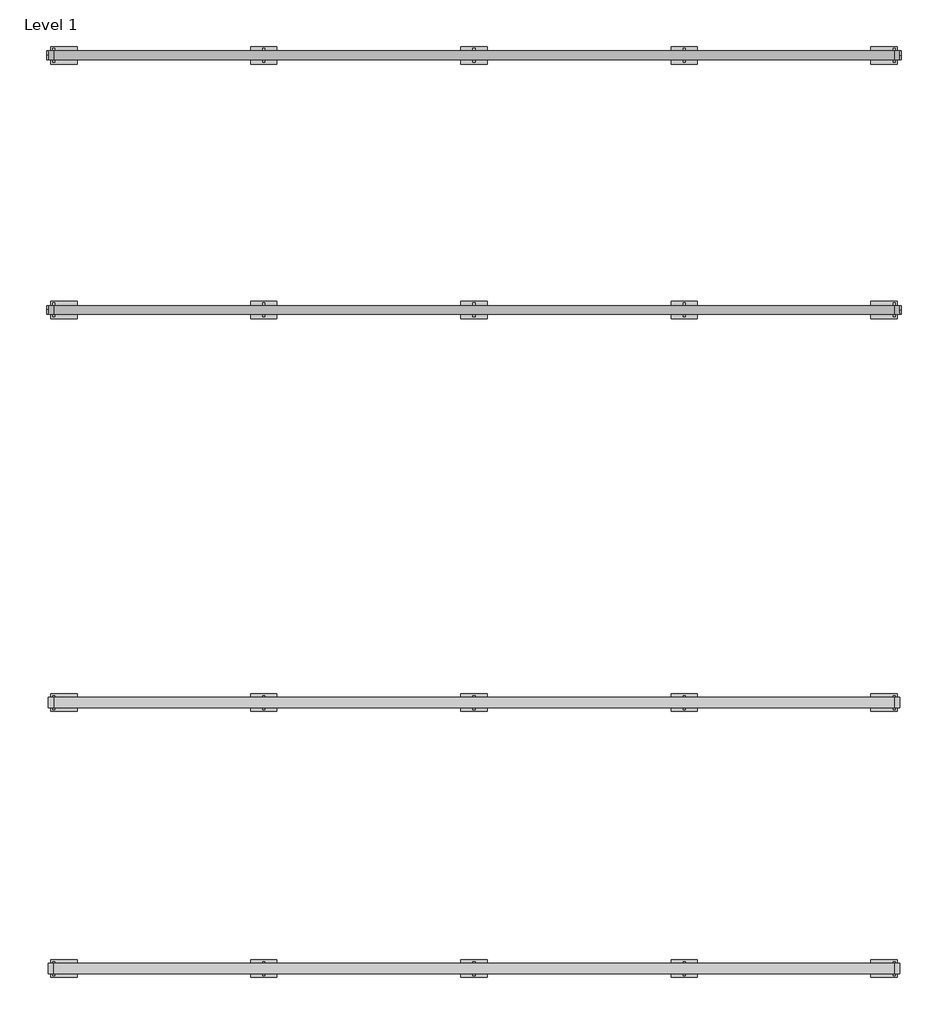
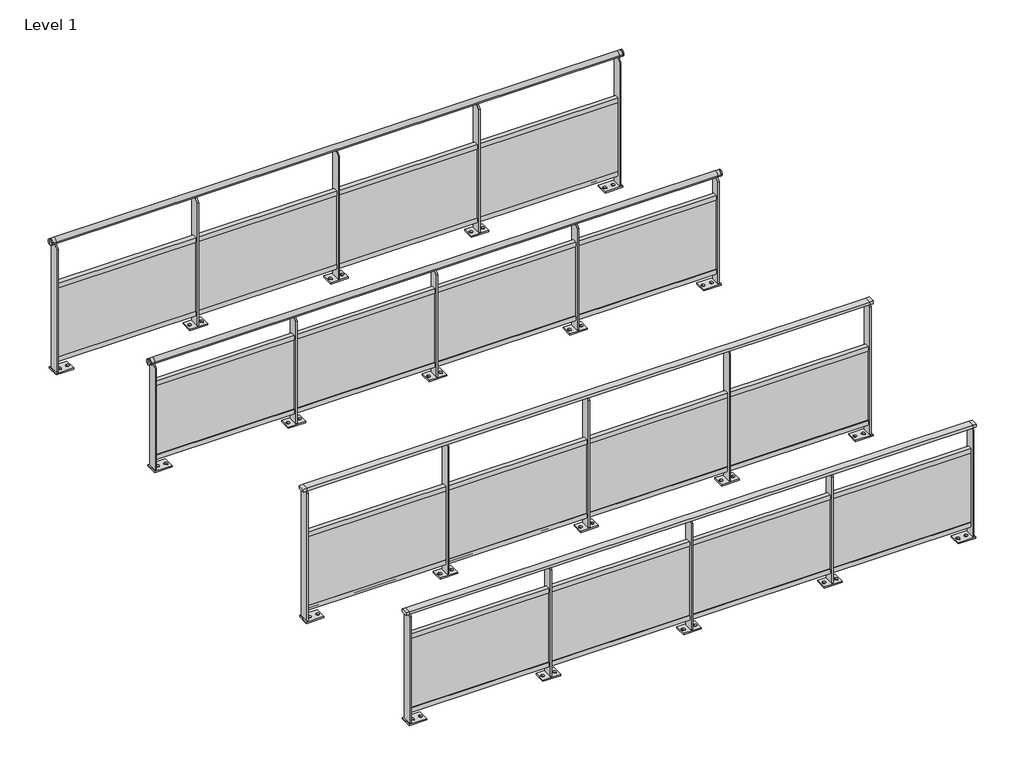
# One storey, part 1 of 13: 4 railings.
"""IFC4 building model written with IfcOpenShell, lengths in millimetres."""

from ifc_helpers import new_model, si_unit, point, frame, frame_2d, origin, origin_with_axes, place, context, project, spatial, polyline, circle_curve, trimmed, segment, composite_curve, outline, extrude, faceted_brep, element, save
from ifc_brep_helpers import plane_surface, cylinder_surface, advanced_brep

model = new_model("IFC4")

# Units and contexts
model_context = context("Model", 3, world=origin())
ifc_project = project(units=[si_unit("LENGTHUNIT", "METRE", prefix="MILLI")], contexts=[model_context])

# Site, building, storey
site = spatial("IfcSite", under=ifc_project)
building = spatial("IfcBuilding", under=site)
storey = spatial("IfcBuildingStorey", under=building, Name="Level 1", Elevation=0.0)

# Railings
placement = place(None, origin())
element("IfcRailing", 1, at=placement, inside=storey, context=model_context, shape_type="SolidModel", body=[
    faceted_brep([(9960.6479588, -9478.8795125, 985.0), (9960.6479588, -9478.8795125, 1010.0), (14760.6479588, -9478.8795125, 1010.0), (14760.6479588, -9478.8795125, 985.0), (9960.6479588, -9538.8795125, 985.0), (14760.6479588, -9538.8795125, 985.0), (9960.6479588, -9538.8795125, 1010.0), (14760.6479588, -9538.8795125, 1010.0), (9930.6479588, -9478.8795125, 1010.0), (9930.6479588, -9478.8795125, 985.0), (9930.6479588, -9538.8795125, 985.0), (9930.6479588, -9538.8795125, 1010.0), (14790.6479588, -9478.8795125, 1010.0), (14790.6479588, -9538.8795125, 1010.0), (14790.6479588, -9538.8795125, 985.0), (14790.6479588, -9478.8795125, 985.0)], [[[0, 1, 2, 3]], [[4, 0, 3, 5]], [[6, 4, 5, 7]], [[1, 6, 7, 2]], [[8, 9, 10, 11]], [[9, 8, 1, 0]], [[10, 9, 0, 4]], [[11, 10, 4, 6]], [[8, 11, 6, 1]], [[12, 13, 14, 15]], [[3, 2, 12, 15]], [[5, 3, 15, 14]], [[7, 5, 14, 13]], [[2, 7, 13, 12]]]),
    extrude(outline(polyline([(-9488.8795125, 795.0), (-9488.8795125, 755.0), (-9510.3795125, 755.0), (-9510.3795125, 775.0), (-9526.3795125, 775.0), (-9526.3795125, 755.0), (-9528.8795125, 755.0), (-9528.8795125, 795.0), (-9488.8795125, 795.0)])), frame((9960.6479588, 0.0, 0.0), z_axis=(1.0, 0.0, 0.0), x_axis=(0.0, 1.0, 0.0)), (0.0, 0.0, 1.0), 4800.0),
    extrude(outline(polyline([(9960.6479588, -9522.8795125), (9960.6479588, -9514.8795125), (14760.6479588, -9514.8795125), (14760.6479588, -9522.8795125), (9960.6479588, -9522.8795125)])), frame((0.0, 0.0, 130.0), z_axis=(0.0, 0.0, 1.0), x_axis=(1.0, 0.0, 0.0)), (0.0, 0.0, 1.0), 625.0),
    extrude(outline(polyline([(-9488.8795125, 90.0), (-9528.8795125, 90.0), (-9528.8795125, 130.0), (-9526.3795125, 130.0), (-9526.3795125, 110.0), (-9510.3795125, 110.0), (-9510.3795125, 130.0), (-9488.8795125, 130.0), (-9488.8795125, 90.0)])), frame((9960.6479588, 0.0, 0.0), z_axis=(1.0, 0.0, 0.0), x_axis=(0.0, 1.0, 0.0)), (0.0, 0.0, 1.0), 4800.0),
    extrude(outline(polyline([(-9468.8795125, 12.0), (-9548.8795125, 12.0), (-9548.8795125, 970.0), (-9533.8795125, 985.0), (-9483.8795125, 985.0), (-9468.8795125, 970.0), (-9468.8795125, 12.0)])), frame((13554.6479588, 0.0, 0.0), z_axis=(1.0, 0.0, 0.0), x_axis=(0.0, 1.0, 0.0)), (0.0, 0.0, 1.0), 12.0),
    extrude(outline(polyline([(13485.6479588, -9458.8795125), (13635.6479588, -9458.8795125), (13635.6479588, -9558.8795125), (13485.6479588, -9558.8795125), (13485.6479588, -9458.8795125)]), holes=[composite_curve([segment(trimmed(circle_curve(frame_2d((13510.6479588, -9508.8795125)), 13.5), [point((13510.6479588, -9522.3795125))], [point((13510.6479588, -9495.3795125))], True, "CARTESIAN"), True, "CONTINUOUS"), segment(trimmed(circle_curve(frame_2d((13510.6479588, -9508.8795125)), 13.5), [point((13510.6479588, -9495.3795125))], [point((13510.6479588, -9522.3795125))], True, "CARTESIAN"), True, "CONTINUOUS")], self_intersect=False), composite_curve([segment(trimmed(circle_curve(frame_2d((13610.6479588, -9508.8795125)), 13.5), [point((13610.6479588, -9522.3795125))], [point((13610.6479588, -9495.3795125))], True, "CARTESIAN"), True, "CONTINUOUS"), segment(trimmed(circle_curve(frame_2d((13610.6479588, -9508.8795125)), 13.5), [point((13610.6479588, -9495.3795125))], [point((13610.6479588, -9522.3795125))], True, "CARTESIAN"), True, "CONTINUOUS")], self_intersect=False)]), origin_with_axes(), (0.0, 0.0, 1.0), 12.0),
    extrude(outline(polyline([(-9468.8795125, 12.0), (-9548.8795125, 12.0), (-9548.8795125, 970.0), (-9533.8795125, 985.0), (-9483.8795125, 985.0), (-9468.8795125, 970.0), (-9468.8795125, 12.0)])), frame((12354.6479588, 0.0, 0.0), z_axis=(1.0, 0.0, 0.0), x_axis=(0.0, 1.0, 0.0)), (0.0, 0.0, 1.0), 12.0),
    extrude(outline(polyline([(12285.6479588, -9458.8795125), (12435.6479588, -9458.8795125), (12435.6479588, -9558.8795125), (12285.6479588, -9558.8795125), (12285.6479588, -9458.8795125)]), holes=[composite_curve([segment(trimmed(circle_curve(frame_2d((12310.6479588, -9508.8795125)), 13.5), [point((12310.6479588, -9522.3795125))], [point((12310.6479588, -9495.3795125))], True, "CARTESIAN"), True, "CONTINUOUS"), segment(trimmed(circle_curve(frame_2d((12310.6479588, -9508.8795125)), 13.5), [point((12310.6479588, -9495.3795125))], [point((12310.6479588, -9522.3795125))], True, "CARTESIAN"), True, "CONTINUOUS")], self_intersect=False), composite_curve([segment(trimmed(circle_curve(frame_2d((12410.6479588, -9508.8795125)), 13.5), [point((12410.6479588, -9522.3795125))], [point((12410.6479588, -9495.3795125))], True, "CARTESIAN"), True, "CONTINUOUS"), segment(trimmed(circle_curve(frame_2d((12410.6479588, -9508.8795125)), 13.5), [point((12410.6479588, -9495.3795125))], [point((12410.6479588, -9522.3795125))], True, "CARTESIAN"), True, "CONTINUOUS")], self_intersect=False)]), origin_with_axes(), (0.0, 0.0, 1.0), 12.0),
    extrude(outline(polyline([(-9468.8795125, 12.0), (-9548.8795125, 12.0), (-9548.8795125, 970.0), (-9533.8795125, 985.0), (-9483.8795125, 985.0), (-9468.8795125, 970.0), (-9468.8795125, 12.0)])), frame((11154.6479588, 0.0, 0.0), z_axis=(1.0, 0.0, 0.0), x_axis=(0.0, 1.0, 0.0)), (0.0, 0.0, 1.0), 12.0),
    extrude(outline(polyline([(11085.6479588, -9458.8795125), (11235.6479588, -9458.8795125), (11235.6479588, -9558.8795125), (11085.6479588, -9558.8795125), (11085.6479588, -9458.8795125)]), holes=[composite_curve([segment(trimmed(circle_curve(frame_2d((11110.6479588, -9508.8795125)), 13.5), [point((11110.6479588, -9522.3795125))], [point((11110.6479588, -9495.3795125))], True, "CARTESIAN"), True, "CONTINUOUS"), segment(trimmed(circle_curve(frame_2d((11110.6479588, -9508.8795125)), 13.5), [point((11110.6479588, -9495.3795125))], [point((11110.6479588, -9522.3795125))], True, "CARTESIAN"), True, "CONTINUOUS")], self_intersect=False), composite_curve([segment(trimmed(circle_curve(frame_2d((11210.6479588, -9508.8795125)), 13.5), [point((11210.6479588, -9522.3795125))], [point((11210.6479588, -9495.3795125))], True, "CARTESIAN"), True, "CONTINUOUS"), segment(trimmed(circle_curve(frame_2d((11210.6479588, -9508.8795125)), 13.5), [point((11210.6479588, -9495.3795125))], [point((11210.6479588, -9522.3795125))], True, "CARTESIAN"), True, "CONTINUOUS")], self_intersect=False)]), origin_with_axes(), (0.0, 0.0, 1.0), 12.0),
    extrude(outline(polyline([(-9468.8795125, 12.0), (-9548.8795125, 12.0), (-9548.8795125, 970.0), (-9533.8795125, 985.0), (-9483.8795125, 985.0), (-9468.8795125, 970.0), (-9468.8795125, 12.0)])), frame((14754.6479588, 0.0, 0.0), z_axis=(1.0, 0.0, 0.0), x_axis=(0.0, 1.0, 0.0)), (0.0, 0.0, 1.0), 12.0),
    extrude(outline(polyline([(14626.6479588, -9458.8795125), (14776.6479588, -9458.8795125), (14776.6479588, -9558.8795125), (14626.6479588, -9558.8795125), (14626.6479588, -9458.8795125)]), holes=[composite_curve([segment(trimmed(circle_curve(frame_2d((14651.6479588, -9508.8795125)), 13.5), [point((14651.6479588, -9522.3795125))], [point((14651.6479588, -9495.3795125))], True, "CARTESIAN"), True, "CONTINUOUS"), segment(trimmed(circle_curve(frame_2d((14651.6479588, -9508.8795125)), 13.5), [point((14651.6479588, -9495.3795125))], [point((14651.6479588, -9522.3795125))], True, "CARTESIAN"), True, "CONTINUOUS")], self_intersect=False), composite_curve([segment(trimmed(circle_curve(frame_2d((14721.6479588, -9508.8795125)), 13.5), [point((14721.6479588, -9522.3795125))], [point((14721.6479588, -9495.3795125))], True, "CARTESIAN"), True, "CONTINUOUS"), segment(trimmed(circle_curve(frame_2d((14721.6479588, -9508.8795125)), 13.5), [point((14721.6479588, -9495.3795125))], [point((14721.6479588, -9522.3795125))], True, "CARTESIAN"), True, "CONTINUOUS")], self_intersect=False)]), origin_with_axes(), (0.0, 0.0, 1.0), 12.0),
    extrude(outline(polyline([(-9468.8795125, 12.0), (-9548.8795125, 12.0), (-9548.8795125, 970.0), (-9533.8795125, 985.0), (-9483.8795125, 985.0), (-9468.8795125, 970.0), (-9468.8795125, 12.0)])), frame((9954.6479588, 0.0, 0.0), z_axis=(1.0, 0.0, 0.0), x_axis=(0.0, 1.0, 0.0)), (0.0, 0.0, 1.0), 12.0),
    extrude(outline(polyline([(9944.6479588, -9458.8795125), (10094.6479588, -9458.8795125), (10094.6479588, -9558.8795125), (9944.6479588, -9558.8795125), (9944.6479588, -9458.8795125)]), holes=[composite_curve([segment(trimmed(circle_curve(frame_2d((9999.6479588, -9508.8795125)), 13.5), [point((9999.6479588, -9522.3795125))], [point((9999.6479588, -9495.3795125))], True, "CARTESIAN"), True, "CONTINUOUS"), segment(trimmed(circle_curve(frame_2d((9999.6479588, -9508.8795125)), 13.5), [point((9999.6479588, -9495.3795125))], [point((9999.6479588, -9522.3795125))], True, "CARTESIAN"), True, "CONTINUOUS")], self_intersect=False), composite_curve([segment(trimmed(circle_curve(frame_2d((10069.6479588, -9508.8795125)), 13.5), [point((10069.6479588, -9522.3795125))], [point((10069.6479588, -9495.3795125))], True, "CARTESIAN"), True, "CONTINUOUS"), segment(trimmed(circle_curve(frame_2d((10069.6479588, -9508.8795125)), 13.5), [point((10069.6479588, -9495.3795125))], [point((10069.6479588, -9522.3795125))], True, "CARTESIAN"), True, "CONTINUOUS")], self_intersect=False)]), origin_with_axes(), (0.0, 0.0, 1.0), 12.0),
])
element("IfcRailing", 2, at=placement, inside=storey, context=model_context, shape_type="SolidModel", body=[
    faceted_brep([(9930.6479588, -7960.6318854, 1200.0), (9930.6479588, -7960.6318854, 1175.0), (9930.6479588, -8020.6318854, 1175.0), (9930.6479588, -8020.6318854, 1200.0), (9960.6479588, -7960.6318854, 1200.0), (9960.6479588, -7960.6318854, 1175.0), (9960.6479588, -8020.6318854, 1175.0), (9960.6479588, -8020.6318854, 1200.0), (14760.6479588, -7960.6318854, 1200.0), (14760.6479588, -7960.6318854, 1175.0), (14760.6479588, -8020.6318854, 1175.0), (14760.6479588, -8020.6318854, 1200.0), (14790.6479588, -7960.6318854, 1200.0), (14790.6479588, -8020.6318854, 1200.0), (14790.6479588, -8020.6318854, 1175.0), (14790.6479588, -7960.6318854, 1175.0)], [[[0, 1, 2, 3]], [[1, 0, 4, 5]], [[2, 1, 5, 6]], [[3, 2, 6, 7]], [[0, 3, 7, 4]], [[5, 4, 8, 9]], [[6, 5, 9, 10]], [[7, 6, 10, 11]], [[4, 7, 11, 8]], [[12, 13, 14, 15]], [[9, 8, 12, 15]], [[10, 9, 15, 14]], [[11, 10, 14, 13]], [[8, 11, 13, 12]]]),
    extrude(outline(polyline([(-7970.6318854, 795.0), (-7970.6318854, 755.0), (-7992.1318854, 755.0), (-7992.1318854, 775.0), (-8008.1318854, 775.0), (-8008.1318854, 755.0), (-8010.6318854, 755.0), (-8010.6318854, 795.0), (-7970.6318854, 795.0)])), frame((9960.6479588, 0.0, 0.0), z_axis=(1.0, 0.0, 0.0), x_axis=(0.0, 1.0, 0.0)), (0.0, 0.0, 1.0), 4800.0),
    extrude(outline(polyline([(9960.6479588, -8004.6318854), (9960.6479588, -7996.6318854), (14760.6479588, -7996.6318854), (14760.6479588, -8004.6318854), (9960.6479588, -8004.6318854)])), frame((0.0, 0.0, 130.0), z_axis=(0.0, 0.0, 1.0), x_axis=(1.0, 0.0, 0.0)), (0.0, 0.0, 1.0), 625.0),
    extrude(outline(polyline([(-7970.6318854, 90.0), (-8010.6318854, 90.0), (-8010.6318854, 130.0), (-8008.1318854, 130.0), (-8008.1318854, 110.0), (-7992.1318854, 110.0), (-7992.1318854, 130.0), (-7970.6318854, 130.0), (-7970.6318854, 90.0)])), frame((9960.6479588, 0.0, 0.0), z_axis=(1.0, 0.0, 0.0), x_axis=(0.0, 1.0, 0.0)), (0.0, 0.0, 1.0), 4800.0),
    extrude(outline(polyline([(-7950.6318854, 12.0), (-8030.6318854, 12.0), (-8030.6318854, 1160.0), (-8015.6318854, 1175.0), (-7965.6318854, 1175.0), (-7950.6318854, 1160.0), (-7950.6318854, 12.0)])), frame((13554.6479588, 0.0, 0.0), z_axis=(1.0, 0.0, 0.0), x_axis=(0.0, 1.0, 0.0)), (0.0, 0.0, 1.0), 12.0),
    extrude(outline(polyline([(13485.6479588, -7940.6318854), (13635.6479588, -7940.6318854), (13635.6479588, -8040.6318854), (13485.6479588, -8040.6318854), (13485.6479588, -7940.6318854)]), holes=[composite_curve([segment(trimmed(circle_curve(frame_2d((13510.6479588, -7990.6318854)), 13.5), [point((13510.6479588, -8004.1318854))], [point((13510.6479588, -7977.1318854))], True, "CARTESIAN"), True, "CONTINUOUS"), segment(trimmed(circle_curve(frame_2d((13510.6479588, -7990.6318854)), 13.5), [point((13510.6479588, -7977.1318854))], [point((13510.6479588, -8004.1318854))], True, "CARTESIAN"), True, "CONTINUOUS")], self_intersect=False), composite_curve([segment(trimmed(circle_curve(frame_2d((13610.6479588, -7990.6318854)), 13.5), [point((13610.6479588, -8004.1318854))], [point((13610.6479588, -7977.1318854))], True, "CARTESIAN"), True, "CONTINUOUS"), segment(trimmed(circle_curve(frame_2d((13610.6479588, -7990.6318854)), 13.5), [point((13610.6479588, -7977.1318854))], [point((13610.6479588, -8004.1318854))], True, "CARTESIAN"), True, "CONTINUOUS")], self_intersect=False)]), origin_with_axes(), (0.0, 0.0, 1.0), 12.0),
    extrude(outline(polyline([(-7950.6318854, 12.0), (-8030.6318854, 12.0), (-8030.6318854, 1160.0), (-8015.6318854, 1175.0), (-7965.6318854, 1175.0), (-7950.6318854, 1160.0), (-7950.6318854, 12.0)])), frame((12354.6479588, 0.0, 0.0), z_axis=(1.0, 0.0, 0.0), x_axis=(0.0, 1.0, 0.0)), (0.0, 0.0, 1.0), 12.0),
    extrude(outline(polyline([(12285.6479588, -7940.6318854), (12435.6479588, -7940.6318854), (12435.6479588, -8040.6318854), (12285.6479588, -8040.6318854), (12285.6479588, -7940.6318854)]), holes=[composite_curve([segment(trimmed(circle_curve(frame_2d((12310.6479588, -7990.6318854)), 13.5), [point((12310.6479588, -8004.1318854))], [point((12310.6479588, -7977.1318854))], True, "CARTESIAN"), True, "CONTINUOUS"), segment(trimmed(circle_curve(frame_2d((12310.6479588, -7990.6318854)), 13.5), [point((12310.6479588, -7977.1318854))], [point((12310.6479588, -8004.1318854))], True, "CARTESIAN"), True, "CONTINUOUS")], self_intersect=False), composite_curve([segment(trimmed(circle_curve(frame_2d((12410.6479588, -7990.6318854)), 13.5), [point((12410.6479588, -8004.1318854))], [point((12410.6479588, -7977.1318854))], True, "CARTESIAN"), True, "CONTINUOUS"), segment(trimmed(circle_curve(frame_2d((12410.6479588, -7990.6318854)), 13.5), [point((12410.6479588, -7977.1318854))], [point((12410.6479588, -8004.1318854))], True, "CARTESIAN"), True, "CONTINUOUS")], self_intersect=False)]), origin_with_axes(), (0.0, 0.0, 1.0), 12.0),
    extrude(outline(polyline([(-7950.6318854, 12.0), (-8030.6318854, 12.0), (-8030.6318854, 1160.0), (-8015.6318854, 1175.0), (-7965.6318854, 1175.0), (-7950.6318854, 1160.0), (-7950.6318854, 12.0)])), frame((11154.6479588, 0.0, 0.0), z_axis=(1.0, 0.0, 0.0), x_axis=(0.0, 1.0, 0.0)), (0.0, 0.0, 1.0), 12.0),
    extrude(outline(polyline([(11085.6479588, -7940.6318854), (11235.6479588, -7940.6318854), (11235.6479588, -8040.6318854), (11085.6479588, -8040.6318854), (11085.6479588, -7940.6318854)]), holes=[composite_curve([segment(trimmed(circle_curve(frame_2d((11110.6479588, -7990.6318854)), 13.5), [point((11110.6479588, -8004.1318854))], [point((11110.6479588, -7977.1318854))], True, "CARTESIAN"), True, "CONTINUOUS"), segment(trimmed(circle_curve(frame_2d((11110.6479588, -7990.6318854)), 13.5), [point((11110.6479588, -7977.1318854))], [point((11110.6479588, -8004.1318854))], True, "CARTESIAN"), True, "CONTINUOUS")], self_intersect=False), composite_curve([segment(trimmed(circle_curve(frame_2d((11210.6479588, -7990.6318854)), 13.5), [point((11210.6479588, -8004.1318854))], [point((11210.6479588, -7977.1318854))], True, "CARTESIAN"), True, "CONTINUOUS"), segment(trimmed(circle_curve(frame_2d((11210.6479588, -7990.6318854)), 13.5), [point((11210.6479588, -7977.1318854))], [point((11210.6479588, -8004.1318854))], True, "CARTESIAN"), True, "CONTINUOUS")], self_intersect=False)]), origin_with_axes(), (0.0, 0.0, 1.0), 12.0),
    extrude(outline(polyline([(-7950.6318854, 12.0), (-8030.6318854, 12.0), (-8030.6318854, 1160.0), (-8015.6318854, 1175.0), (-7965.6318854, 1175.0), (-7950.6318854, 1160.0), (-7950.6318854, 12.0)])), frame((14754.6479588, 0.0, 0.0), z_axis=(1.0, 0.0, 0.0), x_axis=(0.0, 1.0, 0.0)), (0.0, 0.0, 1.0), 12.0),
    extrude(outline(polyline([(14626.6479588, -7940.6318854), (14776.6479588, -7940.6318854), (14776.6479588, -8040.6318854), (14626.6479588, -8040.6318854), (14626.6479588, -7940.6318854)]), holes=[composite_curve([segment(trimmed(circle_curve(frame_2d((14651.6479588, -7990.6318854)), 13.5), [point((14651.6479588, -8004.1318854))], [point((14651.6479588, -7977.1318854))], True, "CARTESIAN"), True, "CONTINUOUS"), segment(trimmed(circle_curve(frame_2d((14651.6479588, -7990.6318854)), 13.5), [point((14651.6479588, -7977.1318854))], [point((14651.6479588, -8004.1318854))], True, "CARTESIAN"), True, "CONTINUOUS")], self_intersect=False), composite_curve([segment(trimmed(circle_curve(frame_2d((14721.6479588, -7990.6318854)), 13.5), [point((14721.6479588, -8004.1318854))], [point((14721.6479588, -7977.1318854))], True, "CARTESIAN"), True, "CONTINUOUS"), segment(trimmed(circle_curve(frame_2d((14721.6479588, -7990.6318854)), 13.5), [point((14721.6479588, -7977.1318854))], [point((14721.6479588, -8004.1318854))], True, "CARTESIAN"), True, "CONTINUOUS")], self_intersect=False)]), origin_with_axes(), (0.0, 0.0, 1.0), 12.0),
    extrude(outline(polyline([(-7950.6318854, 12.0), (-8030.6318854, 12.0), (-8030.6318854, 1160.0), (-8015.6318854, 1175.0), (-7965.6318854, 1175.0), (-7950.6318854, 1160.0), (-7950.6318854, 12.0)])), frame((9954.6479588, 0.0, 0.0), z_axis=(1.0, 0.0, 0.0), x_axis=(0.0, 1.0, 0.0)), (0.0, 0.0, 1.0), 12.0),
    extrude(outline(polyline([(9944.6479588, -7940.6318854), (10094.6479588, -7940.6318854), (10094.6479588, -8040.6318854), (9944.6479588, -8040.6318854), (9944.6479588, -7940.6318854)]), holes=[composite_curve([segment(trimmed(circle_curve(frame_2d((9999.6479588, -7990.6318854)), 13.5), [point((9999.6479588, -8004.1318854))], [point((9999.6479588, -7977.1318854))], True, "CARTESIAN"), True, "CONTINUOUS"), segment(trimmed(circle_curve(frame_2d((9999.6479588, -7990.6318854)), 13.5), [point((9999.6479588, -7977.1318854))], [point((9999.6479588, -8004.1318854))], True, "CARTESIAN"), True, "CONTINUOUS")], self_intersect=False), composite_curve([segment(trimmed(circle_curve(frame_2d((10069.6479588, -7990.6318854)), 13.5), [point((10069.6479588, -8004.1318854))], [point((10069.6479588, -7977.1318854))], True, "CARTESIAN"), True, "CONTINUOUS"), segment(trimmed(circle_curve(frame_2d((10069.6479588, -7990.6318854)), 13.5), [point((10069.6479588, -7977.1318854))], [point((10069.6479588, -8004.1318854))], True, "CARTESIAN"), True, "CONTINUOUS")], self_intersect=False)]), origin_with_axes(), (0.0, 0.0, 1.0), 12.0),
])
element("IfcRailing", 3, at=placement, inside=storey, context=model_context, shape_type="SolidModel", body=[
    advanced_brep(
    [(14790.6479588, -5748.380165, 975.0), (14790.6479588, -5748.380165, 1000.0), (14790.6479588, -5748.380165, 950.0), (14800.6479588, -5748.380165, 950.0), (14800.6479588, -5748.380165, 1000.0), (14800.6479588, -5748.380165, 975.0)],
    [
        (0, 1),
        (1, 2, circle_curve(frame((14790.6479588, -5748.380165, 975.0), z_axis=(-1.0, 0.0, 0.0), x_axis=(0.0, 0.0, 1.0)), 25.0)),
        (2, 0),
        (2, 1, circle_curve(frame((14790.6479588, -5748.380165, 975.0), z_axis=(-1.0, 0.0, 0.0), x_axis=(0.0, 0.0, 1.0)), 25.0)),
        (3, 4, circle_curve(frame((14800.6479588, -5748.380165, 975.0), z_axis=(1.0, 0.0, 0.0), x_axis=(0.0, 0.0, 1.0)), 25.0)),
        (4, 5),
        (5, 3),
        (4, 3, circle_curve(frame((14800.6479588, -5748.380165, 975.0), z_axis=(1.0, 0.0, 0.0), x_axis=(0.0, 0.0, 1.0)), 25.0)),
        (1, 4),
        (3, 2),
    ],
    [
        plane_surface(frame((14790.6479588, -5748.380165, 975.0), z_axis=(-1.0, 0.0, 0.0), x_axis=(0.0, 0.0, 1.0))),
        plane_surface(frame((14800.6479588, -5748.380165, 975.0), z_axis=(1.0, 0.0, 0.0), x_axis=(0.0, 0.0, 1.0))),
        cylinder_surface(frame((14775.6479588, -5748.380165, 975.0), z_axis=(-1.0, 0.0, 0.0), x_axis=(0.0, 0.0, 1.0)), 25.0),
    ],
    [
        (0, [[1, 2, 3]]),
        (0, [[-3, 4, -1]]),
        (1, [[5, 6, 7]]),
        (1, [[8, -7, -6]]),
        (2, [[-2, 9, -5, 10]]),
        (2, [[-4, -10, -8, -9]]),
    ],
),
    advanced_brep(
    [(9930.6479588, -5748.380165, 975.0), (9930.6479588, -5748.380165, 1000.0), (9930.6479588, -5748.380165, 950.0), (9920.6479588, -5748.380165, 950.0), (9920.6479588, -5748.380165, 1000.0), (9920.6479588, -5748.380165, 975.0)],
    [
        (0, 1),
        (1, 2, circle_curve(frame((9930.6479588, -5748.380165, 975.0), z_axis=(1.0, 0.0, 0.0), x_axis=(0.0, 0.0, 1.0)), 25.0)),
        (2, 0),
        (2, 1, circle_curve(frame((9930.6479588, -5748.380165, 975.0), z_axis=(1.0, 0.0, 0.0), x_axis=(0.0, 0.0, 1.0)), 25.0)),
        (3, 4, circle_curve(frame((9920.6479588, -5748.380165, 975.0), z_axis=(-1.0, 0.0, 0.0), x_axis=(0.0, 0.0, 1.0)), 25.0)),
        (4, 5),
        (5, 3),
        (4, 3, circle_curve(frame((9920.6479588, -5748.380165, 975.0), z_axis=(-1.0, 0.0, 0.0), x_axis=(0.0, 0.0, 1.0)), 25.0)),
        (1, 4),
        (3, 2),
    ],
    [
        plane_surface(frame((9930.6479588, -5748.380165, 975.0), z_axis=(1.0, 0.0, 0.0), x_axis=(0.0, 0.0, 1.0))),
        plane_surface(frame((9920.6479588, -5748.380165, 975.0), z_axis=(-1.0, 0.0, 0.0), x_axis=(0.0, 0.0, 1.0))),
        cylinder_surface(frame((9945.6479588, -5748.380165, 975.0), z_axis=(1.0, 0.0, 0.0), x_axis=(0.0, 0.0, 1.0)), 25.0),
    ],
    [
        (0, [[1, 2, 3]]),
        (0, [[-3, 4, -1]]),
        (1, [[5, 6, 7]]),
        (1, [[8, -7, -6]]),
        (2, [[-2, 9, -5, 10]]),
        (2, [[-4, -10, -8, -9]]),
    ],
),
    advanced_brep(
    [(9930.6479588, -5773.380165, 975.0), (9930.6479588, -5723.380165, 975.0), (14790.6479588, -5773.380165, 975.0), (14790.6479588, -5723.380165, 975.0), (9960.6479588, -5773.380165, 975.0), (9960.6479588, -5723.380165, 975.0), (14760.6479588, -5773.380165, 975.0), (14760.6479588, -5723.380165, 975.0)],
    [
        (0, 1, circle_curve(frame((9930.6479588, -5748.380165, 975.0), z_axis=(-1.0, 0.0, 0.0), x_axis=(0.0, 1.0, 0.0)), 25.0)),
        (1, 0, circle_curve(frame((9930.6479588, -5748.380165, 975.0), z_axis=(-1.0, 0.0, 0.0), x_axis=(0.0, 1.0, 0.0)), 25.0)),
        (2, 3, circle_curve(frame((14790.6479588, -5748.380165, 975.0), z_axis=(1.0, 0.0, 0.0), x_axis=(0.0, 1.0, 0.0)), 25.0)),
        (3, 2, circle_curve(frame((14790.6479588, -5748.380165, 975.0), z_axis=(1.0, 0.0, 0.0), x_axis=(0.0, 1.0, 0.0)), 25.0)),
        (0, 4),
        (4, 5, circle_curve(frame((9960.6479588, -5748.380165, 975.0), z_axis=(-1.0, 0.0, 0.0), x_axis=(0.0, 1.0, 0.0)), 25.0)),
        (5, 1),
        (5, 4, circle_curve(frame((9960.6479588, -5748.380165, 975.0), z_axis=(-1.0, 0.0, 0.0), x_axis=(0.0, 1.0, 0.0)), 25.0)),
        (4, 6),
        (6, 7, circle_curve(frame((14760.6479588, -5748.380165, 975.0), z_axis=(-1.0, 0.0, 0.0), x_axis=(0.0, 1.0, 0.0)), 25.0)),
        (7, 5),
        (7, 6, circle_curve(frame((14760.6479588, -5748.380165, 975.0), z_axis=(-1.0, 0.0, 0.0), x_axis=(0.0, 1.0, 0.0)), 25.0)),
        (6, 2),
        (3, 7),
    ],
    [
        plane_surface(frame((9930.6479588, -5748.380165, 1000.0), z_axis=(-1.0, 0.0, 0.0), x_axis=(0.0, 1.0, 0.0))),
        plane_surface(frame((14790.6479588, -5748.380165, 1000.0), z_axis=(1.0, 0.0, 0.0), x_axis=(0.0, 1.0, 0.0))),
        cylinder_surface(frame((9930.6479588, -5748.380165, 975.0), z_axis=(-1.0, 0.0, 0.0), x_axis=(0.0, 1.0, 0.0)), 25.0),
        cylinder_surface(frame((9960.6479588, -5748.380165, 975.0), z_axis=(-1.0, 0.0, 0.0), x_axis=(0.0, 1.0, 0.0)), 25.0),
        cylinder_surface(frame((14760.6479588, -5748.380165, 975.0), z_axis=(-1.0, 0.0, 0.0), x_axis=(0.0, 1.0, 0.0)), 25.0),
    ],
    [
        (0, [[1, 2]]),
        (1, [[3, 4]]),
        (2, [[-1, 5, 6, 7]]),
        (2, [[-2, -7, 8, -5]]),
        (3, [[-6, 9, 10, 11]]),
        (3, [[-8, -11, 12, -9]]),
        (4, [[-10, 13, -4, 14]]),
        (4, [[-12, -14, -3, -13]]),
    ],
),
    extrude(outline(polyline([(-5728.380165, 795.0), (-5728.380165, 755.0), (-5749.880165, 755.0), (-5749.880165, 775.0), (-5765.880165, 775.0), (-5765.880165, 755.0), (-5768.380165, 755.0), (-5768.380165, 795.0), (-5728.380165, 795.0)])), frame((9960.6479588, 0.0, 0.0), z_axis=(1.0, 0.0, 0.0), x_axis=(0.0, 1.0, 0.0)), (0.0, 0.0, 1.0), 4800.0),
    extrude(outline(polyline([(9960.6479588, -5762.380165), (9960.6479588, -5754.380165), (14760.6479588, -5754.380165), (14760.6479588, -5762.380165), (9960.6479588, -5762.380165)])), frame((0.0, 0.0, 130.0), z_axis=(0.0, 0.0, 1.0), x_axis=(1.0, 0.0, 0.0)), (0.0, 0.0, 1.0), 625.0),
    extrude(outline(polyline([(-5728.380165, 130.0), (-5728.380165, 90.0), (-5749.880165, 90.0), (-5749.880165, 110.0), (-5765.880165, 110.0), (-5765.880165, 90.0), (-5768.380165, 90.0), (-5768.380165, 130.0), (-5728.380165, 130.0)])), frame((9960.6479588, 0.0, 0.0), z_axis=(1.0, 0.0, 0.0), x_axis=(0.0, 1.0, 0.0)), (0.0, 0.0, 1.0), 4800.0),
    extrude(outline(polyline([(-5708.380165, 12.0), (-5788.380165, 12.0), (-5788.380165, 930.0), (-5758.380165, 960.0), (-5738.380165, 960.0), (-5708.380165, 930.0), (-5708.380165, 12.0)])), frame((13554.6479588, 0.0, 0.0), z_axis=(1.0, 0.0, 0.0), x_axis=(0.0, 1.0, 0.0)), (0.0, 0.0, 1.0), 12.0),
    extrude(outline(polyline([(13485.6479588, -5698.380165), (13635.6479588, -5698.380165), (13635.6479588, -5798.380165), (13485.6479588, -5798.380165), (13485.6479588, -5698.380165)]), holes=[composite_curve([segment(trimmed(circle_curve(frame_2d((13510.6479588, -5748.380165)), 13.5), [point((13510.6479588, -5761.880165))], [point((13510.6479588, -5734.880165))], True, "CARTESIAN"), True, "CONTINUOUS"), segment(trimmed(circle_curve(frame_2d((13510.6479588, -5748.380165)), 13.5), [point((13510.6479588, -5734.880165))], [point((13510.6479588, -5761.880165))], True, "CARTESIAN"), True, "CONTINUOUS")], self_intersect=False), composite_curve([segment(trimmed(circle_curve(frame_2d((13610.6479588, -5748.380165)), 13.5), [point((13610.6479588, -5761.880165))], [point((13610.6479588, -5734.880165))], True, "CARTESIAN"), True, "CONTINUOUS"), segment(trimmed(circle_curve(frame_2d((13610.6479588, -5748.380165)), 13.5), [point((13610.6479588, -5734.880165))], [point((13610.6479588, -5761.880165))], True, "CARTESIAN"), True, "CONTINUOUS")], self_intersect=False)]), origin_with_axes(), (0.0, 0.0, 1.0), 12.0),
    extrude(outline(polyline([(-5708.380165, 12.0), (-5788.380165, 12.0), (-5788.380165, 930.0), (-5758.380165, 960.0), (-5738.380165, 960.0), (-5708.380165, 930.0), (-5708.380165, 12.0)])), frame((12354.6479588, 0.0, 0.0), z_axis=(1.0, 0.0, 0.0), x_axis=(0.0, 1.0, 0.0)), (0.0, 0.0, 1.0), 12.0),
    extrude(outline(polyline([(12285.6479588, -5698.380165), (12435.6479588, -5698.380165), (12435.6479588, -5798.380165), (12285.6479588, -5798.380165), (12285.6479588, -5698.380165)]), holes=[composite_curve([segment(trimmed(circle_curve(frame_2d((12310.6479588, -5748.380165)), 13.5), [point((12310.6479588, -5761.880165))], [point((12310.6479588, -5734.880165))], True, "CARTESIAN"), True, "CONTINUOUS"), segment(trimmed(circle_curve(frame_2d((12310.6479588, -5748.380165)), 13.5), [point((12310.6479588, -5734.880165))], [point((12310.6479588, -5761.880165))], True, "CARTESIAN"), True, "CONTINUOUS")], self_intersect=False), composite_curve([segment(trimmed(circle_curve(frame_2d((12410.6479588, -5748.380165)), 13.5), [point((12410.6479588, -5761.880165))], [point((12410.6479588, -5734.880165))], True, "CARTESIAN"), True, "CONTINUOUS"), segment(trimmed(circle_curve(frame_2d((12410.6479588, -5748.380165)), 13.5), [point((12410.6479588, -5734.880165))], [point((12410.6479588, -5761.880165))], True, "CARTESIAN"), True, "CONTINUOUS")], self_intersect=False)]), origin_with_axes(), (0.0, 0.0, 1.0), 12.0),
    extrude(outline(polyline([(-5708.380165, 12.0), (-5788.380165, 12.0), (-5788.380165, 930.0), (-5758.380165, 960.0), (-5738.380165, 960.0), (-5708.380165, 930.0), (-5708.380165, 12.0)])), frame((11154.6479588, 0.0, 0.0), z_axis=(1.0, 0.0, 0.0), x_axis=(0.0, 1.0, 0.0)), (0.0, 0.0, 1.0), 12.0),
    extrude(outline(polyline([(11085.6479588, -5698.380165), (11235.6479588, -5698.380165), (11235.6479588, -5798.380165), (11085.6479588, -5798.380165), (11085.6479588, -5698.380165)]), holes=[composite_curve([segment(trimmed(circle_curve(frame_2d((11110.6479588, -5748.380165)), 13.5), [point((11110.6479588, -5761.880165))], [point((11110.6479588, -5734.880165))], True, "CARTESIAN"), True, "CONTINUOUS"), segment(trimmed(circle_curve(frame_2d((11110.6479588, -5748.380165)), 13.5), [point((11110.6479588, -5734.880165))], [point((11110.6479588, -5761.880165))], True, "CARTESIAN"), True, "CONTINUOUS")], self_intersect=False), composite_curve([segment(trimmed(circle_curve(frame_2d((11210.6479588, -5748.380165)), 13.5), [point((11210.6479588, -5761.880165))], [point((11210.6479588, -5734.880165))], True, "CARTESIAN"), True, "CONTINUOUS"), segment(trimmed(circle_curve(frame_2d((11210.6479588, -5748.380165)), 13.5), [point((11210.6479588, -5734.880165))], [point((11210.6479588, -5761.880165))], True, "CARTESIAN"), True, "CONTINUOUS")], self_intersect=False)]), origin_with_axes(), (0.0, 0.0, 1.0), 12.0),
    extrude(outline(polyline([(-5708.380165, 12.0), (-5788.380165, 12.0), (-5788.380165, 930.0), (-5758.380165, 960.0), (-5738.380165, 960.0), (-5708.380165, 930.0), (-5708.380165, 12.0)])), frame((14754.6479588, 0.0, 0.0), z_axis=(1.0, 0.0, 0.0), x_axis=(0.0, 1.0, 0.0)), (0.0, 0.0, 1.0), 12.0),
    extrude(outline(polyline([(14626.6479588, -5698.380165), (14776.6479588, -5698.380165), (14776.6479588, -5798.380165), (14626.6479588, -5798.380165), (14626.6479588, -5698.380165)]), holes=[composite_curve([segment(trimmed(circle_curve(frame_2d((14651.6479588, -5748.380165)), 13.5), [point((14651.6479588, -5761.880165))], [point((14651.6479588, -5734.880165))], True, "CARTESIAN"), True, "CONTINUOUS"), segment(trimmed(circle_curve(frame_2d((14651.6479588, -5748.380165)), 13.5), [point((14651.6479588, -5734.880165))], [point((14651.6479588, -5761.880165))], True, "CARTESIAN"), True, "CONTINUOUS")], self_intersect=False), composite_curve([segment(trimmed(circle_curve(frame_2d((14721.6479588, -5748.380165)), 13.5), [point((14721.6479588, -5761.880165))], [point((14721.6479588, -5734.880165))], True, "CARTESIAN"), True, "CONTINUOUS"), segment(trimmed(circle_curve(frame_2d((14721.6479588, -5748.380165)), 13.5), [point((14721.6479588, -5734.880165))], [point((14721.6479588, -5761.880165))], True, "CARTESIAN"), True, "CONTINUOUS")], self_intersect=False)]), origin_with_axes(), (0.0, 0.0, 1.0), 12.0),
    extrude(outline(polyline([(-5708.380165, 12.0), (-5788.380165, 12.0), (-5788.380165, 930.0), (-5758.380165, 960.0), (-5738.380165, 960.0), (-5708.380165, 930.0), (-5708.380165, 12.0)])), frame((9954.6479588, 0.0, 0.0), z_axis=(1.0, 0.0, 0.0), x_axis=(0.0, 1.0, 0.0)), (0.0, 0.0, 1.0), 12.0),
    extrude(outline(polyline([(9944.6479588, -5698.380165), (10094.6479588, -5698.380165), (10094.6479588, -5798.380165), (9944.6479588, -5798.380165), (9944.6479588, -5698.380165)]), holes=[composite_curve([segment(trimmed(circle_curve(frame_2d((9999.6479588, -5748.380165)), 13.5), [point((9999.6479588, -5761.880165))], [point((9999.6479588, -5734.880165))], True, "CARTESIAN"), True, "CONTINUOUS"), segment(trimmed(circle_curve(frame_2d((9999.6479588, -5748.380165)), 13.5), [point((9999.6479588, -5734.880165))], [point((9999.6479588, -5761.880165))], True, "CARTESIAN"), True, "CONTINUOUS")], self_intersect=False), composite_curve([segment(trimmed(circle_curve(frame_2d((10069.6479588, -5748.380165)), 13.5), [point((10069.6479588, -5761.880165))], [point((10069.6479588, -5734.880165))], True, "CARTESIAN"), True, "CONTINUOUS"), segment(trimmed(circle_curve(frame_2d((10069.6479588, -5748.380165)), 13.5), [point((10069.6479588, -5734.880165))], [point((10069.6479588, -5761.880165))], True, "CARTESIAN"), True, "CONTINUOUS")], self_intersect=False)]), origin_with_axes(), (0.0, 0.0, 1.0), 12.0),
])
element("IfcRailing", 4, at=placement, inside=storey, context=model_context, shape_type="SolidModel", body=[
    advanced_brep(
    [(14790.6479588, -4295.1568319, 1175.0), (14790.6479588, -4295.1568319, 1200.0), (14790.6479588, -4295.1568319, 1150.0), (14800.6479588, -4295.1568319, 1150.0), (14800.6479588, -4295.1568319, 1200.0), (14800.6479588, -4295.1568319, 1175.0)],
    [
        (0, 1),
        (1, 2, circle_curve(frame((14790.6479588, -4295.1568319, 1175.0), z_axis=(-1.0, 0.0, 0.0), x_axis=(0.0, 0.0, 1.0)), 25.0)),
        (2, 0),
        (2, 1, circle_curve(frame((14790.6479588, -4295.1568319, 1175.0), z_axis=(-1.0, 0.0, 0.0), x_axis=(0.0, 0.0, 1.0)), 25.0)),
        (3, 4, circle_curve(frame((14800.6479588, -4295.1568319, 1175.0), z_axis=(1.0, 0.0, 0.0), x_axis=(0.0, 0.0, 1.0)), 25.0)),
        (4, 5),
        (5, 3),
        (4, 3, circle_curve(frame((14800.6479588, -4295.1568319, 1175.0), z_axis=(1.0, 0.0, 0.0), x_axis=(0.0, 0.0, 1.0)), 25.0)),
        (1, 4),
        (3, 2),
    ],
    [
        plane_surface(frame((14790.6479588, -4295.1568319, 1175.0), z_axis=(-1.0, 0.0, 0.0), x_axis=(0.0, 0.0, 1.0))),
        plane_surface(frame((14800.6479588, -4295.1568319, 1175.0), z_axis=(1.0, 0.0, 0.0), x_axis=(0.0, 0.0, 1.0))),
        cylinder_surface(frame((14775.6479588, -4295.1568319, 1175.0), z_axis=(-1.0, 0.0, 0.0), x_axis=(0.0, 0.0, 1.0)), 25.0),
    ],
    [
        (0, [[1, 2, 3]]),
        (0, [[-3, 4, -1]]),
        (1, [[5, 6, 7]]),
        (1, [[8, -7, -6]]),
        (2, [[-2, 9, -5, 10]]),
        (2, [[-4, -10, -8, -9]]),
    ],
),
    advanced_brep(
    [(9930.6479588, -4295.1568319, 1175.0), (9930.6479588, -4295.1568319, 1200.0), (9930.6479588, -4295.1568319, 1150.0), (9920.6479588, -4295.1568319, 1150.0), (9920.6479588, -4295.1568319, 1200.0), (9920.6479588, -4295.1568319, 1175.0)],
    [
        (0, 1),
        (1, 2, circle_curve(frame((9930.6479588, -4295.1568319, 1175.0), z_axis=(1.0, 0.0, 0.0), x_axis=(0.0, 0.0, 1.0)), 25.0)),
        (2, 0),
        (2, 1, circle_curve(frame((9930.6479588, -4295.1568319, 1175.0), z_axis=(1.0, 0.0, 0.0), x_axis=(0.0, 0.0, 1.0)), 25.0)),
        (3, 4, circle_curve(frame((9920.6479588, -4295.1568319, 1175.0), z_axis=(-1.0, 0.0, 0.0), x_axis=(0.0, 0.0, 1.0)), 25.0)),
        (4, 5),
        (5, 3),
        (4, 3, circle_curve(frame((9920.6479588, -4295.1568319, 1175.0), z_axis=(-1.0, 0.0, 0.0), x_axis=(0.0, 0.0, 1.0)), 25.0)),
        (1, 4),
        (3, 2),
    ],
    [
        plane_surface(frame((9930.6479588, -4295.1568319, 1175.0), z_axis=(1.0, 0.0, 0.0), x_axis=(0.0, 0.0, 1.0))),
        plane_surface(frame((9920.6479588, -4295.1568319, 1175.0), z_axis=(-1.0, 0.0, 0.0), x_axis=(0.0, 0.0, 1.0))),
        cylinder_surface(frame((9945.6479588, -4295.1568319, 1175.0), z_axis=(1.0, 0.0, 0.0), x_axis=(0.0, 0.0, 1.0)), 25.0),
    ],
    [
        (0, [[1, 2, 3]]),
        (0, [[-3, 4, -1]]),
        (1, [[5, 6, 7]]),
        (1, [[8, -7, -6]]),
        (2, [[-2, 9, -5, 10]]),
        (2, [[-4, -10, -8, -9]]),
    ],
),
    advanced_brep(
    [(9930.6479588, -4320.1568319, 1175.0), (9930.6479588, -4270.1568319, 1175.0), (14790.6479588, -4320.1568319, 1175.0), (14790.6479588, -4270.1568319, 1175.0), (9960.6479588, -4320.1568319, 1175.0), (9960.6479588, -4270.1568319, 1175.0), (14760.6479588, -4320.1568319, 1175.0), (14760.6479588, -4270.1568319, 1175.0)],
    [
        (0, 1, circle_curve(frame((9930.6479588, -4295.1568319, 1175.0), z_axis=(-1.0, 0.0, 0.0), x_axis=(0.0, 1.0, 0.0)), 25.0)),
        (1, 0, circle_curve(frame((9930.6479588, -4295.1568319, 1175.0), z_axis=(-1.0, 0.0, 0.0), x_axis=(0.0, 1.0, 0.0)), 25.0)),
        (2, 3, circle_curve(frame((14790.6479588, -4295.1568319, 1175.0), z_axis=(1.0, 0.0, 0.0), x_axis=(0.0, 1.0, 0.0)), 25.0)),
        (3, 2, circle_curve(frame((14790.6479588, -4295.1568319, 1175.0), z_axis=(1.0, 0.0, 0.0), x_axis=(0.0, 1.0, 0.0)), 25.0)),
        (0, 4),
        (4, 5, circle_curve(frame((9960.6479588, -4295.1568319, 1175.0), z_axis=(-1.0, 0.0, 0.0), x_axis=(0.0, 1.0, 0.0)), 25.0)),
        (5, 1),
        (5, 4, circle_curve(frame((9960.6479588, -4295.1568319, 1175.0), z_axis=(-1.0, 0.0, 0.0), x_axis=(0.0, 1.0, 0.0)), 25.0)),
        (4, 6),
        (6, 7, circle_curve(frame((14760.6479588, -4295.1568319, 1175.0), z_axis=(-1.0, 0.0, 0.0), x_axis=(0.0, 1.0, 0.0)), 25.0)),
        (7, 5),
        (7, 6, circle_curve(frame((14760.6479588, -4295.1568319, 1175.0), z_axis=(-1.0, 0.0, 0.0), x_axis=(0.0, 1.0, 0.0)), 25.0)),
        (6, 2),
        (3, 7),
    ],
    [
        plane_surface(frame((9930.6479588, -4295.1568319, 1200.0), z_axis=(-1.0, 0.0, 0.0), x_axis=(0.0, 1.0, 0.0))),
        plane_surface(frame((14790.6479588, -4295.1568319, 1200.0), z_axis=(1.0, 0.0, 0.0), x_axis=(0.0, 1.0, 0.0))),
        cylinder_surface(frame((9930.6479588, -4295.1568319, 1175.0), z_axis=(-1.0, 0.0, 0.0), x_axis=(0.0, 1.0, 0.0)), 25.0),
        cylinder_surface(frame((9960.6479588, -4295.1568319, 1175.0), z_axis=(-1.0, 0.0, 0.0), x_axis=(0.0, 1.0, 0.0)), 25.0),
        cylinder_surface(frame((14760.6479588, -4295.1568319, 1175.0), z_axis=(-1.0, 0.0, 0.0), x_axis=(0.0, 1.0, 0.0)), 25.0),
    ],
    [
        (0, [[1, 2]]),
        (1, [[3, 4]]),
        (2, [[-1, 5, 6, 7]]),
        (2, [[-2, -7, 8, -5]]),
        (3, [[-6, 9, 10, 11]]),
        (3, [[-8, -11, 12, -9]]),
        (4, [[-10, 13, -4, 14]]),
        (4, [[-12, -14, -3, -13]]),
    ],
),
    extrude(outline(polyline([(-4275.1568319, 795.0), (-4275.1568319, 755.0), (-4296.6568319, 755.0), (-4296.6568319, 775.0), (-4312.6568319, 775.0), (-4312.6568319, 755.0), (-4315.1568319, 755.0), (-4315.1568319, 795.0), (-4275.1568319, 795.0)])), frame((9960.6479588, 0.0, 0.0), z_axis=(1.0, 0.0, 0.0), x_axis=(0.0, 1.0, 0.0)), (0.0, 0.0, 1.0), 4800.0),
    extrude(outline(polyline([(9960.6479588, -4309.1568319), (9960.6479588, -4301.1568319), (14760.6479588, -4301.1568319), (14760.6479588, -4309.1568319), (9960.6479588, -4309.1568319)])), frame((0.0, 0.0, 130.0), z_axis=(0.0, 0.0, 1.0), x_axis=(1.0, 0.0, 0.0)), (0.0, 0.0, 1.0), 625.0),
    extrude(outline(polyline([(-4275.1568319, 90.0), (-4315.1568319, 90.0), (-4315.1568319, 130.0), (-4312.6568319, 130.0), (-4312.6568319, 110.0), (-4296.6568319, 110.0), (-4296.6568319, 130.0), (-4275.1568319, 130.0), (-4275.1568319, 90.0)])), frame((9960.6479588, 0.0, 0.0), z_axis=(1.0, 0.0, 0.0), x_axis=(0.0, 1.0, 0.0)), (0.0, 0.0, 1.0), 4800.0),
    extrude(outline(polyline([(-4255.1568319, 12.0), (-4335.1568319, 12.0), (-4335.1568319, 1120.0), (-4305.1568319, 1150.0), (-4285.1568319, 1150.0), (-4255.1568319, 1120.0), (-4255.1568319, 12.0)])), frame((13554.6479588, 0.0, 0.0), z_axis=(1.0, 0.0, 0.0), x_axis=(0.0, 1.0, 0.0)), (0.0, 0.0, 1.0), 12.0),
    extrude(outline(polyline([(13485.6479588, -4245.1568319), (13635.6479588, -4245.1568319), (13635.6479588, -4345.1568319), (13485.6479588, -4345.1568319), (13485.6479588, -4245.1568319)]), holes=[composite_curve([segment(trimmed(circle_curve(frame_2d((13510.6479588, -4295.1568319)), 13.5), [point((13510.6479588, -4308.6568319))], [point((13510.6479588, -4281.6568319))], True, "CARTESIAN"), True, "CONTINUOUS"), segment(trimmed(circle_curve(frame_2d((13510.6479588, -4295.1568319)), 13.5), [point((13510.6479588, -4281.6568319))], [point((13510.6479588, -4308.6568319))], True, "CARTESIAN"), True, "CONTINUOUS")], self_intersect=False), composite_curve([segment(trimmed(circle_curve(frame_2d((13610.6479588, -4295.1568319)), 13.5), [point((13610.6479588, -4308.6568319))], [point((13610.6479588, -4281.6568319))], True, "CARTESIAN"), True, "CONTINUOUS"), segment(trimmed(circle_curve(frame_2d((13610.6479588, -4295.1568319)), 13.5), [point((13610.6479588, -4281.6568319))], [point((13610.6479588, -4308.6568319))], True, "CARTESIAN"), True, "CONTINUOUS")], self_intersect=False)]), origin_with_axes(), (0.0, 0.0, 1.0), 12.0),
    extrude(outline(polyline([(-4255.1568319, 12.0), (-4335.1568319, 12.0), (-4335.1568319, 1120.0), (-4305.1568319, 1150.0), (-4285.1568319, 1150.0), (-4255.1568319, 1120.0), (-4255.1568319, 12.0)])), frame((12354.6479588, 0.0, 0.0), z_axis=(1.0, 0.0, 0.0), x_axis=(0.0, 1.0, 0.0)), (0.0, 0.0, 1.0), 12.0),
    extrude(outline(polyline([(12285.6479588, -4245.1568319), (12435.6479588, -4245.1568319), (12435.6479588, -4345.1568319), (12285.6479588, -4345.1568319), (12285.6479588, -4245.1568319)]), holes=[composite_curve([segment(trimmed(circle_curve(frame_2d((12310.6479588, -4295.1568319)), 13.5), [point((12310.6479588, -4308.6568319))], [point((12310.6479588, -4281.6568319))], True, "CARTESIAN"), True, "CONTINUOUS"), segment(trimmed(circle_curve(frame_2d((12310.6479588, -4295.1568319)), 13.5), [point((12310.6479588, -4281.6568319))], [point((12310.6479588, -4308.6568319))], True, "CARTESIAN"), True, "CONTINUOUS")], self_intersect=False), composite_curve([segment(trimmed(circle_curve(frame_2d((12410.6479588, -4295.1568319)), 13.5), [point((12410.6479588, -4308.6568319))], [point((12410.6479588, -4281.6568319))], True, "CARTESIAN"), True, "CONTINUOUS"), segment(trimmed(circle_curve(frame_2d((12410.6479588, -4295.1568319)), 13.5), [point((12410.6479588, -4281.6568319))], [point((12410.6479588, -4308.6568319))], True, "CARTESIAN"), True, "CONTINUOUS")], self_intersect=False)]), origin_with_axes(), (0.0, 0.0, 1.0), 12.0),
    extrude(outline(polyline([(-4255.1568319, 12.0), (-4335.1568319, 12.0), (-4335.1568319, 1120.0), (-4305.1568319, 1150.0), (-4285.1568319, 1150.0), (-4255.1568319, 1120.0), (-4255.1568319, 12.0)])), frame((11154.6479588, 0.0, 0.0), z_axis=(1.0, 0.0, 0.0), x_axis=(0.0, 1.0, 0.0)), (0.0, 0.0, 1.0), 12.0),
    extrude(outline(polyline([(11085.6479588, -4245.1568319), (11235.6479588, -4245.1568319), (11235.6479588, -4345.1568319), (11085.6479588, -4345.1568319), (11085.6479588, -4245.1568319)]), holes=[composite_curve([segment(trimmed(circle_curve(frame_2d((11110.6479588, -4295.1568319)), 13.5), [point((11110.6479588, -4308.6568319))], [point((11110.6479588, -4281.6568319))], True, "CARTESIAN"), True, "CONTINUOUS"), segment(trimmed(circle_curve(frame_2d((11110.6479588, -4295.1568319)), 13.5), [point((11110.6479588, -4281.6568319))], [point((11110.6479588, -4308.6568319))], True, "CARTESIAN"), True, "CONTINUOUS")], self_intersect=False), composite_curve([segment(trimmed(circle_curve(frame_2d((11210.6479588, -4295.1568319)), 13.5), [point((11210.6479588, -4308.6568319))], [point((11210.6479588, -4281.6568319))], True, "CARTESIAN"), True, "CONTINUOUS"), segment(trimmed(circle_curve(frame_2d((11210.6479588, -4295.1568319)), 13.5), [point((11210.6479588, -4281.6568319))], [point((11210.6479588, -4308.6568319))], True, "CARTESIAN"), True, "CONTINUOUS")], self_intersect=False)]), origin_with_axes(), (0.0, 0.0, 1.0), 12.0),
    extrude(outline(polyline([(-4255.1568319, 12.0), (-4335.1568319, 12.0), (-4335.1568319, 1120.0), (-4305.1568319, 1150.0), (-4285.1568319, 1150.0), (-4255.1568319, 1120.0), (-4255.1568319, 12.0)])), frame((14754.6479588, 0.0, 0.0), z_axis=(1.0, 0.0, 0.0), x_axis=(0.0, 1.0, 0.0)), (0.0, 0.0, 1.0), 12.0),
    extrude(outline(polyline([(14626.6479588, -4245.1568319), (14776.6479588, -4245.1568319), (14776.6479588, -4345.1568319), (14626.6479588, -4345.1568319), (14626.6479588, -4245.1568319)]), holes=[composite_curve([segment(trimmed(circle_curve(frame_2d((14651.6479588, -4295.1568319)), 13.5), [point((14651.6479588, -4308.6568319))], [point((14651.6479588, -4281.6568319))], True, "CARTESIAN"), True, "CONTINUOUS"), segment(trimmed(circle_curve(frame_2d((14651.6479588, -4295.1568319)), 13.5), [point((14651.6479588, -4281.6568319))], [point((14651.6479588, -4308.6568319))], True, "CARTESIAN"), True, "CONTINUOUS")], self_intersect=False), composite_curve([segment(trimmed(circle_curve(frame_2d((14721.6479588, -4295.1568319)), 13.5), [point((14721.6479588, -4308.6568319))], [point((14721.6479588, -4281.6568319))], True, "CARTESIAN"), True, "CONTINUOUS"), segment(trimmed(circle_curve(frame_2d((14721.6479588, -4295.1568319)), 13.5), [point((14721.6479588, -4281.6568319))], [point((14721.6479588, -4308.6568319))], True, "CARTESIAN"), True, "CONTINUOUS")], self_intersect=False)]), origin_with_axes(), (0.0, 0.0, 1.0), 12.0),
    extrude(outline(polyline([(-4255.1568319, 12.0), (-4335.1568319, 12.0), (-4335.1568319, 1120.0), (-4305.1568319, 1150.0), (-4285.1568319, 1150.0), (-4255.1568319, 1120.0), (-4255.1568319, 12.0)])), frame((9954.6479588, 0.0, 0.0), z_axis=(1.0, 0.0, 0.0), x_axis=(0.0, 1.0, 0.0)), (0.0, 0.0, 1.0), 12.0),
    extrude(outline(polyline([(9944.6479588, -4245.1568319), (10094.6479588, -4245.1568319), (10094.6479588, -4345.1568319), (9944.6479588, -4345.1568319), (9944.6479588, -4245.1568319)]), holes=[composite_curve([segment(trimmed(circle_curve(frame_2d((9999.6479588, -4295.1568319)), 13.5), [point((9999.6479588, -4308.6568319))], [point((9999.6479588, -4281.6568319))], True, "CARTESIAN"), True, "CONTINUOUS"), segment(trimmed(circle_curve(frame_2d((9999.6479588, -4295.1568319)), 13.5), [point((9999.6479588, -4281.6568319))], [point((9999.6479588, -4308.6568319))], True, "CARTESIAN"), True, "CONTINUOUS")], self_intersect=False), composite_curve([segment(trimmed(circle_curve(frame_2d((10069.6479588, -4295.1568319)), 13.5), [point((10069.6479588, -4308.6568319))], [point((10069.6479588, -4281.6568319))], True, "CARTESIAN"), True, "CONTINUOUS"), segment(trimmed(circle_curve(frame_2d((10069.6479588, -4295.1568319)), 13.5), [point((10069.6479588, -4281.6568319))], [point((10069.6479588, -4308.6568319))], True, "CARTESIAN"), True, "CONTINUOUS")], self_intersect=False)]), origin_with_axes(), (0.0, 0.0, 1.0), 12.0),
])

save(model, "model.ifc")
